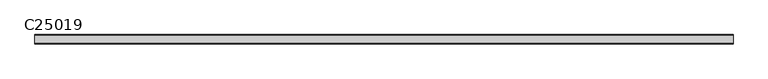
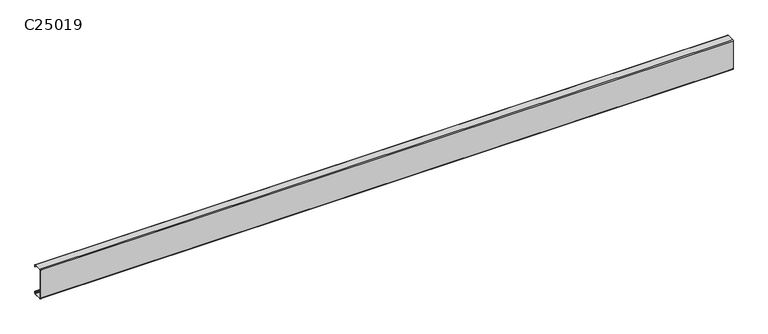
"""IFC4 building model written with IfcOpenShell, lengths in millimetres: beam geometry, C25019."""

from ifc_helpers import new_model, si_unit, point, frame, frame_2d, origin, place, context, project, spatial, polyline, circle_curve, trimmed, segment, composite_curve, outline, extrude, source, transform, mapped, element, save


def c25019_2fa1deef(model_context):
    return source(origin(), model_context, "Body", "SweptSolid", [
        extrude(outline(composite_curve([segment(polyline([(-31.1, 127.0), (31.1, 127.0)]), True, "CONTINUOUS"), segment(trimmed(circle_curve(frame_2d((31.1, 120.1)), 6.9), [point((31.1, 127.0))], [point((38.0, 120.1))], False, "CARTESIAN"), True, "CONTINUOUS"), segment(polyline([(38.0, 120.1), (38.0, 108.0), (36.1, 108.0), (36.1, 120.1)]), True, "CONTINUOUS"), segment(trimmed(circle_curve(frame_2d((31.1, 120.1)), 5.0), [point((36.1, 120.1))], [point((31.1, 125.1))], True, "CARTESIAN"), True, "CONTINUOUS"), segment(polyline([(31.1, 125.1), (-31.1, 125.1)]), True, "CONTINUOUS"), segment(trimmed(circle_curve(frame_2d((-31.1, 120.1)), 5.0), [point((-31.1, 125.1))], [point((-36.1, 120.1))], True, "CARTESIAN"), True, "CONTINUOUS"), segment(polyline([(-36.1, 120.1), (-36.1, -120.1)]), True, "CONTINUOUS"), segment(trimmed(circle_curve(frame_2d((-31.1, -120.1)), 5.0), [point((-36.1, -120.1))], [point((-31.1, -125.1))], True, "CARTESIAN"), True, "CONTINUOUS"), segment(polyline([(-31.1, -125.1), (31.1, -125.1)]), True, "CONTINUOUS"), segment(trimmed(circle_curve(frame_2d((31.1, -120.1)), 5.0), [point((31.1, -125.1))], [point((36.1, -120.1))], True, "CARTESIAN"), True, "CONTINUOUS"), segment(polyline([(36.1, -120.1), (36.1, -108.0), (38.0, -108.0), (38.0, -120.1)]), True, "CONTINUOUS"), segment(trimmed(circle_curve(frame_2d((31.1, -120.1)), 6.9), [point((38.0, -120.1))], [point((31.1, -127.0))], False, "CARTESIAN"), True, "CONTINUOUS"), segment(polyline([(31.1, -127.0), (-31.1, -127.0)]), True, "CONTINUOUS"), segment(trimmed(circle_curve(frame_2d((-31.1, -120.1)), 6.9), [point((-31.1, -127.0))], [point((-38.0, -120.1))], False, "CARTESIAN"), True, "CONTINUOUS"), segment(polyline([(-38.0, -120.1), (-38.0, 120.1)]), True, "CONTINUOUS"), segment(trimmed(circle_curve(frame_2d((-31.1, 120.1)), 6.9), [point((-38.0, 120.1))], [point((-31.1, 127.0))], False, "CARTESIAN"), True, "CONTINUOUS")], self_intersect=False)), frame((-2620.59, 0.0, 0.0), z_axis=(1.0, 0.0, 0.0), x_axis=(0.0, 1.0, 0.0)), (0.0, 0.0, 1.0), 5691.43),
    ])


if __name__ == "__main__":
    model = new_model("IFC4")
    model_context = context("Model", 3, world=origin())
    ifc_project = project(units=[si_unit("LENGTHUNIT", "METRE", prefix="MILLI")], contexts=[model_context])
    site = spatial("IfcSite", under=ifc_project)
    building = spatial("IfcBuilding", under=site)
    placement = place(None, origin())
    c25019_shape = c25019_2fa1deef(model_context)
    element("IfcBeam", 1, ObjectType="C25019", at=placement, inside=building, context=model_context, shape_type="MappedRepresentation", body=[
        mapped(c25019_shape, transform((0.0, 0.0, 0.0), x_axis=(1.0, 0.0, 0.0), y_axis=(0.0, 1.0, 0.0), z_axis=(0.0, 0.0, 1.0))),
    ])
    save(model, "model.ifc")
